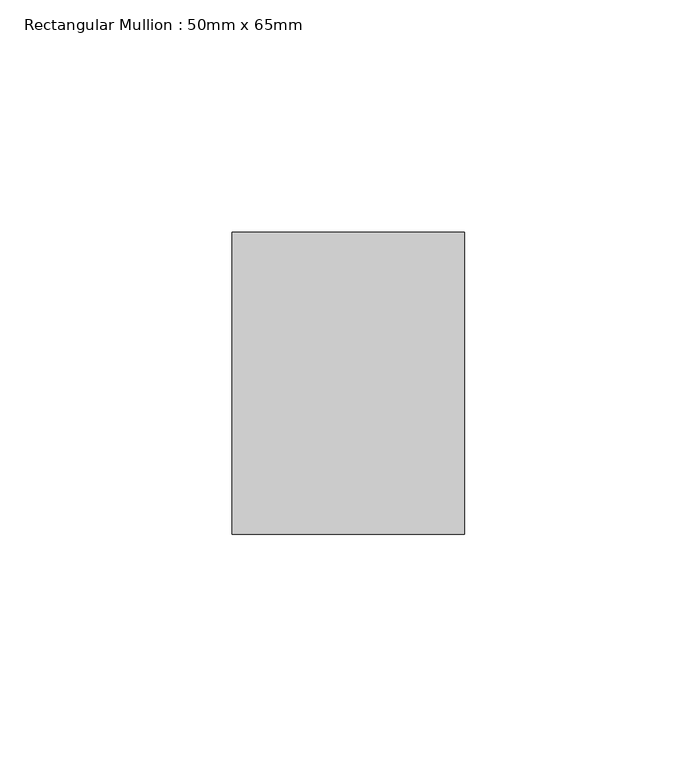
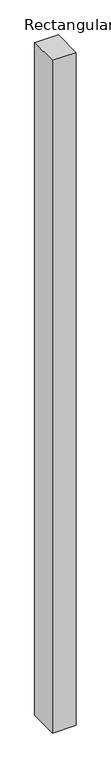
"""IFC4 building model written with IfcOpenShell, lengths in millimetres: member geometry, Rectangular Mullion : 50mm x 65mm."""

from ifc_helpers import new_model, si_unit, origin, place, context, project, spatial, faceted_brep, source, transform, mapped, element, save


def rectangular_mullion_50mm_x_65mm_9cb9d73e(model_context):
    return source(origin(), model_context, "Body", "Brep", [
        faceted_brep([(-25.0, 32.5, -0.0980889), (25.0, 32.5, -0.0980894), (25.0, 32.5, -1499.8163727), (-25.0, 32.5, -1499.8163738), (-25.0, -32.5, 0.0980894), (-25.0, -32.5, -1500.1835189), (25.0, -32.5, 0.0980889), (25.0, -32.5, -1500.1835178)], [[[0, 1, 2, 3]], [[4, 0, 3, 5]], [[6, 4, 5, 7]], [[1, 6, 7, 2]], [[1, 0, 4, 6]], [[2, 7, 5, 3]]]),
    ])


if __name__ == "__main__":
    model = new_model("IFC4")
    model_context = context("Model", 3, world=origin())
    ifc_project = project(units=[si_unit("LENGTHUNIT", "METRE", prefix="MILLI")], contexts=[model_context])
    site = spatial("IfcSite", under=ifc_project)
    building = spatial("IfcBuilding", under=site)
    placement = place(None, origin())
    rectangular_mullion_50mm_x_65mm_shape = rectangular_mullion_50mm_x_65mm_9cb9d73e(model_context)
    element("IfcMember", 1, ObjectType="Rectangular Mullion : 50mm x 65mm", at=placement, inside=building, context=model_context, shape_type="MappedRepresentation", body=[
        mapped(rectangular_mullion_50mm_x_65mm_shape, transform((0.0, 0.0, 0.0), x_axis=(1.0, 0.0, 0.0), y_axis=(0.0, 1.0, 0.0), z_axis=(0.0, 0.0, 1.0))),
    ])
    save(model, "model.ifc")
